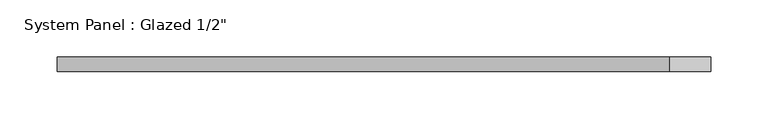
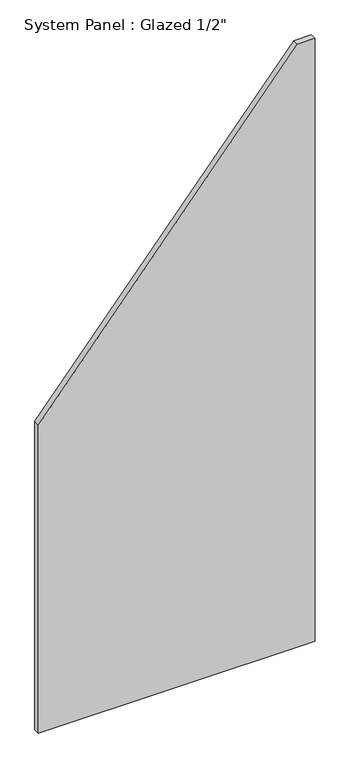
"""IFC4 building model written with IfcOpenShell, lengths in millimetres: plate geometry."""

from ifc_helpers import new_model, si_unit, frame, origin, place, context, project, spatial, polyline, outline, extrude, source, transform, mapped, element, save


def plate_409afa5c(model_context):
    return source(origin(), model_context, "Body", "SweptSolid", [
        extrude(outline(polyline([(0.0, -285.56239), (0.0, 285.56239), (1315.7025574, 285.56239), (1315.7025574, 249.854222), (672.2118748, -285.56239), (0.0, -285.56239)])), frame((0.0, -6.35, 0.0), z_axis=(0.0, 1.0, 0.0), x_axis=(0.0, 0.0, 1.0)), (0.0, 0.0, 1.0), 12.7),
    ])


if __name__ == "__main__":
    model = new_model("IFC4")
    model_context = context("Model", 3, world=origin())
    ifc_project = project(units=[si_unit("LENGTHUNIT", "METRE", prefix="MILLI")], contexts=[model_context])
    site = spatial("IfcSite", under=ifc_project)
    building = spatial("IfcBuilding", under=site)
    placement = place(None, origin())
    plate_shape = plate_409afa5c(model_context)
    element("IfcPlate", 1, ObjectType="System Panel : Glazed 1/2\"", at=placement, inside=building, context=model_context, shape_type="MappedRepresentation", body=[
        mapped(plate_shape, transform((0.0, 0.0, 0.0), x_axis=(1.0, 0.0, 0.0), y_axis=(0.0, 1.0, 0.0), z_axis=(0.0, 0.0, 1.0))),
    ])
    save(model, "model.ifc")
